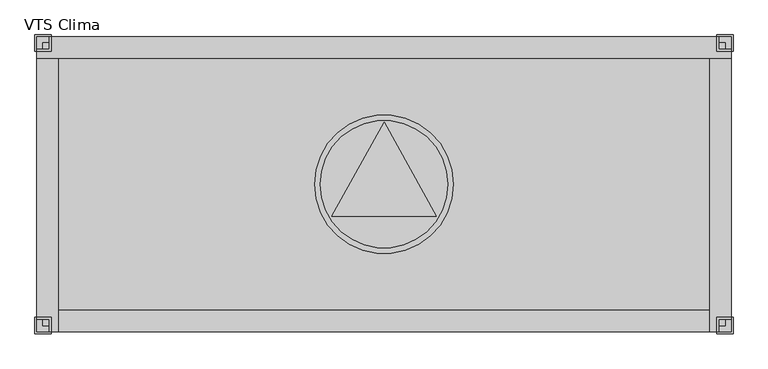
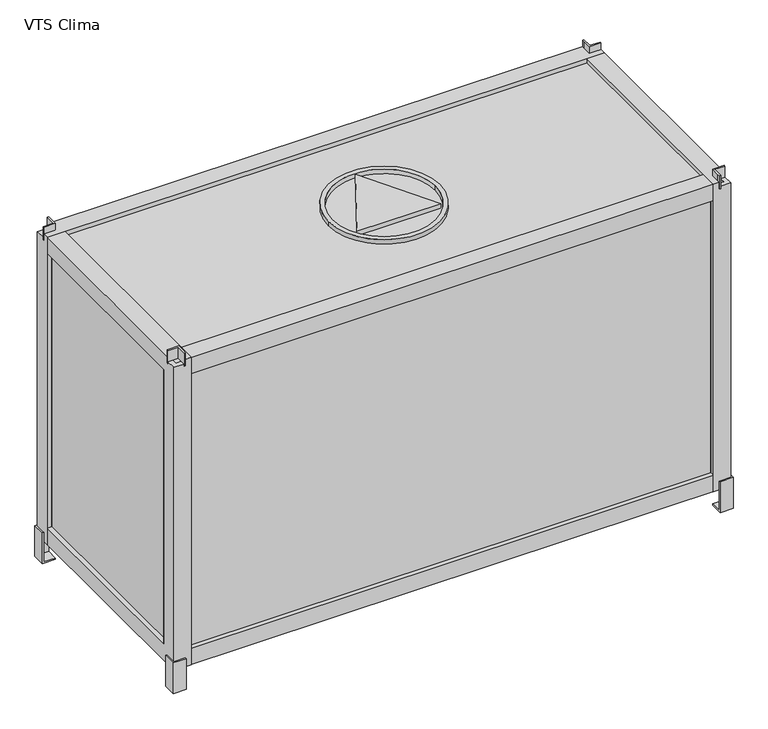
"""IFC4 building model written with IfcOpenShell, lengths in millimetres: proxy geometry, VTS Clima."""

import ifcopenshell
import ifcopenshell.guid

model = None  # the IFC model being written
_history = None  # IfcOwnerHistory: only IFC2X3 demands one
_inside = {}  # id of a spatial element -> (the spatial element, [elements in it])
_under = {}  # id of a project, library or spatial element -> (it, [spatial elements below it])
_declared = {}  # id of a project -> (the project, [libraries it declares])
_typed = {}  # id of a type object -> (the type object, [elements of that type])
_made_of = {}  # id of a material, layer set ... -> (it, [elements and type objects made of it])


def new_model(schema):
    """Start an empty IFC model of exactly this schema.

    Asked for "IFC4X3", IfcOpenShell would pick the latest addendum, in which some entities
    have other attributes; the version numbers below select the first issue.
    IFC2X3 requires an IfcOwnerHistory on every rooted entity: one is made here for all.
    """
    global model, _history
    if schema == "IFC4X3":
        model = ifcopenshell.file(schema_version=(4, 3, 0, 0))
    else:
        model = ifcopenshell.file(schema=schema)
    _inside.clear()
    _under.clear()
    _declared.clear()
    _typed.clear()
    _made_of.clear()
    _history = None
    if model.schema == "IFC2X3":
        org = make("IfcOrganization", Name="unknown")
        user = make(
            "IfcPersonAndOrganization",
            ThePerson=make("IfcPerson", FamilyName="unknown"),
            TheOrganization=org,
        )
        app = make(
            "IfcApplication",
            ApplicationDeveloper=org,
            Version="unknown",
            ApplicationFullName="unknown",
            ApplicationIdentifier="unknown",
        )
        _history = make(
            "IfcOwnerHistory",
            OwningUser=user,
            OwningApplication=app,
            ChangeAction="ADDED",
            CreationDate=0,
        )
    return model


def make(cls, **values):
    """One entity of the class cls with the attributes given. An attribute that is None is left unset."""
    return model.create_entity(
        cls, **{name: value for name, value in values.items() if value is not None}
    )


def rooted(cls, **values):
    """An entity with a GlobalId (a new one), such as an element, a storey or a relation."""
    return make(cls, GlobalId=ifcopenshell.guid.new(), OwnerHistory=_history, **values)


def si_unit(unit_type, name, prefix=None):
    """IfcSIUnit, for example si_unit("LENGTHUNIT", "METRE", prefix="MILLI")."""
    return make("IfcSIUnit", UnitType=unit_type, Prefix=prefix, Name=name)


def assignment(units):
    """IfcUnitAssignment: the units of a project."""
    return None if units is None else make("IfcUnitAssignment", Units=units)


def point(xyz):
    """IfcCartesianPoint."""
    return None if xyz is None else make("IfcCartesianPoint", Coordinates=xyz)


def direction(xyz):
    """IfcDirection."""
    return None if xyz is None else make("IfcDirection", DirectionRatios=xyz)


def frame(location, z_axis=None, x_axis=None):
    """IfcAxis2Placement3D, a coordinate frame: its origin and axes. An axis left out is left unset."""
    return make(
        "IfcAxis2Placement3D",
        Location=point(location),
        Axis=direction(z_axis),
        RefDirection=direction(x_axis),
    )


def frame_2d(location, x_axis=None):
    """IfcAxis2Placement2D, a coordinate frame in the plane: its origin and x axis."""
    return make(
        "IfcAxis2Placement2D", Location=point(location), RefDirection=direction(x_axis)
    )


def origin():
    """The frame at (0, 0, 0) with its axes left unset."""
    return frame((0.0, 0.0, 0.0))


def origin_2d():
    """The frame at (0, 0) in the plane with its x axis left unset."""
    return frame_2d((0.0, 0.0))


def place(relative_to, where):
    """IfcLocalPlacement: puts the frame where relative to a parent placement (None: the world)."""
    return make(
        "IfcLocalPlacement", PlacementRelTo=relative_to, RelativePlacement=where
    )


def context(
    kind, dimensions, precision=None, world=None, true_north=None, identifier=None
):
    """IfcGeometricRepresentationContext, for example the 3D "Model" context."""
    return make(
        "IfcGeometricRepresentationContext",
        ContextIdentifier=identifier,
        ContextType=kind,
        CoordinateSpaceDimension=dimensions,
        Precision=precision,
        WorldCoordinateSystem=world,
        TrueNorth=true_north,
    )


def project(units=None, contexts=None):
    """IfcProject with its units and contexts."""
    return rooted(
        "IfcProject",
        Name="project",
        RepresentationContexts=contexts,
        UnitsInContext=assignment(units),
    )


def spatial(cls, under=None, at=None, **own):
    """A site, building, storey or space (cls), placed at a placement, below another one or the project."""
    s = rooted(cls, ObjectPlacement=at, **own)
    if under is not None:
        _under.setdefault(under.id(), (under, []))[1].append(s)
    return s


def polyline(points):
    """IfcPolyline through the points."""
    return make("IfcPolyline", Points=[point(p) for p in points])


def circle_curve(where, radius):
    """IfcCircle in the frame where."""
    return make("IfcCircle", Position=where, Radius=radius)


def trimmed(basis, trim1, trim2, sense, master):
    """IfcTrimmedCurve: the piece of a basis curve between two trims."""
    return make(
        "IfcTrimmedCurve",
        BasisCurve=basis,
        Trim1=trim1,
        Trim2=trim2,
        SenseAgreement=sense,
        MasterRepresentation=master,
    )


def segment(curve, same_sense, transition):
    """IfcCompositeCurveSegment."""
    return make(
        "IfcCompositeCurveSegment",
        Transition=transition,
        SameSense=same_sense,
        ParentCurve=curve,
    )


def composite_curve(segments, self_intersect=None):
    """IfcCompositeCurve: segments joined end to end."""
    return make("IfcCompositeCurve", Segments=segments, SelfIntersect=self_intersect)


def outline(outer, holes=None, kind="AREA"):
    """IfcArbitraryClosedProfileDef: a profile drawn as a closed curve; with holes, ...WithVoids."""
    if holes is None:
        return make("IfcArbitraryClosedProfileDef", ProfileType=kind, OuterCurve=outer)
    return make(
        "IfcArbitraryProfileDefWithVoids",
        ProfileType=kind,
        OuterCurve=outer,
        InnerCurves=holes,
    )


def extrude(swept, where, along, depth):
    """IfcExtrudedAreaSolid: the profile swept, set in the frame where, extruded along a direction by depth."""
    return make(
        "IfcExtrudedAreaSolid",
        SweptArea=swept,
        Position=where,
        ExtrudedDirection=direction(along),
        Depth=depth,
    )


def faces_of(points, faces, orient=None, outer=None):
    """IfcFace entities. A face is a list of loops; a loop is a list of indices into points, from 0.

    orient and outer hold one flag for each loop. By default every Orientation is true, the
    first loop of a face is its IfcFaceOuterBound and the others are IfcFaceBound.
    """
    made = []
    for i, loops in enumerate(faces):
        bounds = []
        for j, loop in enumerate(loops):
            is_outer = j == 0 if outer is None else outer[i][j]
            bounds.append(
                make(
                    "IfcFaceOuterBound" if is_outer else "IfcFaceBound",
                    Bound=make("IfcPolyLoop", Polygon=[points[k] for k in loop]),
                    Orientation=True if orient is None else orient[i][j],
                )
            )
        made.append(make("IfcFace", Bounds=bounds))
    return made


def faceted_brep(points, faces, orient=None, outer=None, voids=None):
    """IfcFacetedBrep: a solid bounded by flat faces; with voids (closed shells), ...WithVoids."""
    shared = [point(p) for p in points]
    hull = make("IfcClosedShell", CfsFaces=faces_of(shared, faces, orient, outer))
    if voids is None:
        return make("IfcFacetedBrep", Outer=hull)
    return make(
        "IfcFacetedBrepWithVoids",
        Outer=hull,
        Voids=[
            make(cls, CfsFaces=faces_of(shared, fs, o, b)) for cls, fs, o, b in voids
        ],
    )


def shape(context_of_items, identifier, shape_type, items):
    """IfcShapeRepresentation: the items that make up one representation, for example the "Body"."""
    return make(
        "IfcShapeRepresentation",
        ContextOfItems=context_of_items,
        RepresentationIdentifier=identifier,
        RepresentationType=shape_type,
        Items=items,
    )


def source(mapping_origin, context_of_items, identifier, shape_type, items):
    """IfcRepresentationMap: a shape defined once, which mapped items show again and again."""
    return make(
        "IfcRepresentationMap",
        MappingOrigin=mapping_origin,
        MappedRepresentation=shape(context_of_items, identifier, shape_type, items),
    )


def transform(
    local_origin,
    x_axis=None,
    y_axis=None,
    z_axis=None,
    scale=None,
    scale2=None,
    scale3=None,
    uniform=True,
):
    """IfcCartesianTransformationOperator3D, or its non-uniform kind. x_axis, y_axis, z_axis: its Axis1, 2, 3."""
    if uniform:
        return make(
            "IfcCartesianTransformationOperator3D",
            Axis1=direction(x_axis),
            Axis2=direction(y_axis),
            LocalOrigin=point(local_origin),
            Scale=scale,
            Axis3=direction(z_axis),
        )
    return make(
        "IfcCartesianTransformationOperator3DnonUniform",
        Axis1=direction(x_axis),
        Axis2=direction(y_axis),
        LocalOrigin=point(local_origin),
        Scale=scale,
        Axis3=direction(z_axis),
        Scale2=scale2,
        Scale3=scale3,
    )


def mapped(mapping_source, mapping_target):
    """IfcMappedItem: shows the shape of a source again, moved by a transform."""
    return make(
        "IfcMappedItem", MappingSource=mapping_source, MappingTarget=mapping_target
    )


def made_of(thing, what):
    """Note that an element or type object is made of a material, layer set ...; save() writes the relation."""
    if what is not None:
        _made_of.setdefault(what.id(), (what, []))[1].append(thing)
    return thing


def element(
    cls,
    number,
    at=None,
    inside=None,
    cuts=None,
    type_object=None,
    material=None,
    context=None,
    identifier="Body",
    shape_type=None,
    held_by="IfcProductDefinitionShape",
    body=None,
    shapes=None,
    **own,
):
    """One element of the class cls, such as IfcWall. Its Tag is "e" and its number.

    at: its placement. inside: the storey or other place that contains it. cuts: it is an
    opening in that element (IfcRelVoidsElement). A single representation is given by context,
    identifier, shape_type and body (its items); several are given by shapes. held_by: the class
    of the entity that holds the representations. save() writes the other relations.
    """
    e = rooted(cls, Tag="e%d" % number, ObjectPlacement=at, **own)
    if body is not None:
        shapes = [shape(context, identifier, shape_type, body)]
    if shapes is not None:
        e.Representation = make(held_by, Representations=shapes)
    if inside is not None:
        _inside.setdefault(inside.id(), (inside, []))[1].append(e)
    if cuts is not None:
        rooted(
            "IfcRelVoidsElement", RelatingBuildingElement=cuts, RelatedOpeningElement=e
        )
    if type_object is not None:
        _typed.setdefault(type_object.id(), (type_object, []))[1].append(e)
    return made_of(e, material)


def aggregate(whole, parts):
    """IfcRelAggregates: a whole, such as a stair, and the parts it consists of."""
    return rooted("IfcRelAggregates", RelatingObject=whole, RelatedObjects=parts)


def save(model, path):
    """Write the relations noted so far, then the file.

    IfcRelAggregates (storeys below a building ...), IfcRelContainedInSpatialStructure (elements
    in a storey), IfcRelDefinesByType, IfcRelAssociatesMaterial and IfcRelDeclares: one each for
    every whole, place, type object, material and project.
    """
    for whole, parts in _under.values():
        aggregate(whole, parts)
    for where, things in _inside.values():
        rooted(
            "IfcRelContainedInSpatialStructure",
            RelatedElements=things,
            RelatingStructure=where,
        )
    for kind, things in _typed.values():
        rooted("IfcRelDefinesByType", RelatedObjects=things, RelatingType=kind)
    for what, things in _made_of.values():
        rooted("IfcRelAssociatesMaterial", RelatedObjects=things, RelatingMaterial=what)
    for by, libraries in _declared.values():
        rooted("IfcRelDeclares", RelatingContext=by, RelatedDefinitions=libraries)
    model.write(path)


def vts_clima_47fc4c83(model_context):
    return source(origin(), model_context, "Body", "SolidModel", [
        faceted_brep([(575.0, 229.9999993, 765.0), (600.0, 229.9999993, 765.0), (600.0, 232.9999993, 765.0), (578.0, 232.9999993, 765.0), (578.0, 254.9999993, 765.0), (575.0, 254.9999993, 765.0), (575.0, 248.3098058, 765.0), (575.0, 229.9999993, 735.0), (575.0, 248.3098058, 735.0), (575.0, 254.9999993, 735.0), (578.0, 254.9999993, 735.0), (578.0, 232.9999993, 735.0), (600.0, 232.9999993, 735.0), (600.0, 229.9999993, 735.0), (578.0, 254.9999993, 750.0), (578.0, 232.9999993, 750.0), (600.0, 232.9999993, 750.0)], [[[0, 1, 2, 3, 4, 5, 6]], [[7, 8, 9, 10, 11, 12, 13]], [[6, 8, 7, 0]], [[5, 9, 8, 6]], [[4, 14, 10, 9, 5]], [[3, 15, 11, 10, 14, 4]], [[2, 16, 12, 11, 15, 3]], [[1, 13, 12, 16, 2]], [[0, 7, 13, 1]]]),
        faceted_brep([(-575.0, 229.9999993, 765.0), (-575.0, 248.3098058, 765.0), (-575.0, 254.9999993, 765.0), (-578.0, 254.9999993, 765.0), (-578.0, 232.9999993, 765.0), (-600.0, 232.9999993, 765.0), (-600.0, 229.9999993, 765.0), (-575.0, 229.9999993, 735.0), (-600.0, 229.9999993, 735.0), (-600.0, 232.9999993, 735.0), (-578.0, 232.9999993, 735.0), (-578.0, 254.9999993, 735.0), (-575.0, 254.9999993, 735.0), (-575.0, 248.3098058, 735.0), (-578.0, 254.9999993, 750.0), (-578.0, 232.9999993, 750.0), (-600.0, 232.9999993, 750.0)], [[[0, 1, 2, 3, 4, 5, 6]], [[7, 8, 9, 10, 11, 12, 13]], [[1, 0, 7, 13]], [[2, 1, 13, 12]], [[3, 2, 12, 11, 14]], [[4, 3, 14, 11, 10, 15]], [[5, 4, 15, 10, 9, 16]], [[6, 5, 16, 9, 8]], [[0, 6, 8, 7]]]),
        faceted_brep([(575.0, -230.0, 765.0), (575.0, -248.3098065, 765.0), (575.0, -255.0, 765.0), (578.0, -255.0, 765.0), (578.0, -233.0, 765.0), (600.0, -233.0, 765.0), (600.0, -230.0, 765.0), (575.0, -230.0, 735.0), (600.0, -230.0, 735.0), (600.0, -233.0, 735.0), (578.0, -233.0, 735.0), (578.0, -255.0, 735.0), (575.0, -255.0, 735.0), (575.0, -248.3098065, 735.0), (578.0, -255.0, 750.0), (578.0, -233.0, 750.0), (600.0, -233.0, 750.0)], [[[0, 1, 2, 3, 4, 5, 6]], [[7, 8, 9, 10, 11, 12, 13]], [[1, 0, 7, 13]], [[2, 1, 13, 12]], [[3, 2, 12, 11, 14]], [[4, 3, 14, 11, 10, 15]], [[5, 4, 15, 10, 9, 16]], [[6, 5, 16, 9, 8]], [[0, 6, 8, 7]]]),
        faceted_brep([(-575.0, -230.0, 765.0), (-600.0, -230.0, 765.0), (-600.0, -233.0, 765.0), (-578.0, -233.0, 765.0), (-578.0, -255.0, 765.0), (-575.0, -255.0, 765.0), (-575.0, -248.3098065, 765.0), (-575.0, -230.0, 735.0), (-575.0, -248.3098065, 735.0), (-575.0, -255.0, 735.0), (-578.0, -255.0, 735.0), (-578.0, -233.0, 735.0), (-600.0, -233.0, 735.0), (-600.0, -230.0, 735.0), (-578.0, -255.0, 750.0), (-578.0, -233.0, 750.0), (-600.0, -233.0, 750.0)], [[[0, 1, 2, 3, 4, 5, 6]], [[7, 8, 9, 10, 11, 12, 13]], [[6, 8, 7, 0]], [[5, 9, 8, 6]], [[4, 14, 10, 9, 5]], [[3, 15, 11, 10, 14, 4]], [[2, 16, 12, 11, 15, 3]], [[1, 13, 12, 16, 2]], [[0, 7, 13, 1]]]),
        faceted_brep([(602.9999993, 230.0, 70.0), (602.9999993, 258.0, 70.0), (574.9999993, 258.0, 70.0), (574.9999993, 255.0, 70.0), (599.9999993, 255.0, 70.0), (599.9999993, 230.0, 70.0), (602.9999993, 230.0, 0.0), (574.978616, 229.9647196, 0.0), (574.9999993, 258.0, 0.0), (602.9999993, 258.0, 0.0), (599.9999993, 230.0, 3.0), (574.978616, 230.0, 3.0), (599.9999993, 255.0, 3.0), (574.9999993, 255.0, 3.0), (602.9999993, 258.0, 3.0)], [[[0, 1, 2, 3, 4, 5]], [[6, 7, 8, 9]], [[5, 10, 11, 7, 6, 0]], [[4, 12, 10, 5]], [[3, 13, 12, 4]], [[2, 8, 7, 11, 13, 3]], [[1, 14, 9, 8, 2]], [[6, 9, 14, 1, 0]], [[10, 12, 13, 11]]]),
        faceted_brep([(-602.9999993, 230.0, 70.0), (-599.9999993, 230.0, 70.0), (-599.9999993, 255.0, 70.0), (-574.9999993, 255.0, 70.0), (-574.9999993, 258.0, 70.0), (-602.9999993, 258.0, 70.0), (-602.9999993, 230.0, 0.0), (-602.9999993, 258.0, 0.0), (-574.9999993, 258.0, 0.0), (-574.978616, 229.9647196, 0.0), (-574.978616, 230.0, 3.0), (-599.9999993, 230.0, 3.0), (-599.9999993, 255.0, 3.0), (-574.9999993, 255.0, 3.0), (-602.9999993, 258.0, 3.0)], [[[0, 1, 2, 3, 4, 5]], [[6, 7, 8, 9]], [[1, 0, 6, 9, 10, 11]], [[2, 1, 11, 12]], [[3, 2, 12, 13]], [[4, 3, 13, 10, 9, 8]], [[5, 4, 8, 7, 14]], [[6, 0, 5, 14, 7]], [[11, 10, 13, 12]]]),
        faceted_brep([(602.9999993, -230.0, 70.0), (599.9999993, -230.0, 70.0), (599.9999993, -255.0, 70.0), (574.9999993, -255.0, 70.0), (574.9999993, -258.0, 70.0), (602.9999993, -258.0, 70.0), (602.9999993, -230.0, 0.0), (602.9999993, -258.0, 0.0), (574.9999993, -258.0, 0.0), (574.978616, -229.9647196, 0.0), (574.978616, -230.0, 3.0), (599.9999993, -230.0, 3.0), (599.9999993, -255.0, 3.0), (574.9999993, -255.0, 3.0), (602.9999993, -258.0, 3.0)], [[[0, 1, 2, 3, 4, 5]], [[6, 7, 8, 9]], [[1, 0, 6, 9, 10, 11]], [[2, 1, 11, 12]], [[3, 2, 12, 13]], [[4, 3, 13, 10, 9, 8]], [[5, 4, 8, 7, 14]], [[6, 0, 5, 14, 7]], [[11, 10, 13, 12]]]),
        faceted_brep([(-602.9999993, -230.0, 70.0), (-602.9999993, -258.0, 70.0), (-574.9999993, -258.0, 70.0), (-574.9999993, -255.0, 70.0), (-599.9999993, -255.0, 70.0), (-599.9999993, -230.0, 70.0), (-602.9999993, -230.0, 0.0), (-574.978616, -229.9647196, 0.0), (-574.9999993, -258.0, 0.0), (-602.9999993, -258.0, 0.0), (-599.9999993, -230.0, 3.0), (-574.978616, -230.0, 3.0), (-599.9999993, -255.0, 3.0), (-574.9999993, -255.0, 3.0), (-602.9999993, -258.0, 3.0)], [[[0, 1, 2, 3, 4, 5]], [[6, 7, 8, 9]], [[5, 10, 11, 7, 6, 0]], [[4, 12, 10, 5]], [[3, 13, 12, 4]], [[2, 8, 7, 11, 13, 3]], [[1, 14, 9, 8, 2]], [[6, 9, 14, 1, 0]], [[10, 12, 13, 11]]]),
        extrude(outline(composite_curve([segment(trimmed(circle_curve(origin_2d(), 120.0), [point((-120.0, 0.0))], [point((120.0, 0.0))], False, "CARTESIAN"), True, "CONTINUOUS"), segment(trimmed(circle_curve(origin_2d(), 120.0), [point((120.0, 0.0))], [point((-120.0, 0.0))], False, "CARTESIAN"), True, "CONTINUOUS")], self_intersect=False), holes=[composite_curve([segment(trimmed(circle_curve(origin_2d(), 110.0), [point((-110.0, 0.0))], [point((110.0, 0.0))], True, "CARTESIAN"), True, "CONTINUOUS"), segment(trimmed(circle_curve(origin_2d(), 110.0), [point((110.0, 0.0))], [point((-110.0, 0.0))], True, "CARTESIAN"), True, "CONTINUOUS")], self_intersect=False)]), frame((0.0, 0.0, 740.0), z_axis=(0.0, 0.0, 1.0), x_axis=(1.0, 0.0, 0.0)), (0.0, 0.0, 1.0), 10.0),
        extrude(outline(polyline([(0.0, 106.9756158), (90.2627944, -55.0), (-90.2627944, -55.0), (0.0, 106.9756158)])), frame((0.0, 0.0, 740.0), z_axis=(0.0, 0.0, 1.0), x_axis=(1.0, 0.0, 0.0)), (0.0, 0.0, 1.0), 10.0),
        faceted_brep([(-600.0, 217.4999993, 750.0), (-600.0, 232.9999993, 750.0), (-600.0, 232.9999993, 740.0), (-600.0, 254.9999993, 740.0), (-600.0, 254.9999993, 50.0), (-600.0, 217.4999993, 50.0), (-562.5, 244.9999993, 712.5), (-562.5, 244.9999993, 87.5), (-562.5, 254.9999993, 87.5), (-562.5, 254.9999993, 712.5), (-589.999999, 244.9999993, 740.0), (-589.999999, 232.9999993, 740.0), (-589.999999, 217.4999993, 739.999999), (-589.999999, 217.4999993, 60.000001), (-589.999999, 244.9999993, 60.000001), (600.0, 254.9999993, 50.0), (600.0, 217.4999993, 50.0), (562.5, 244.9999993, 87.5), (562.5, 254.9999993, 87.5), (589.999999, 217.4999993, 60.000001), (589.999999, 244.9999993, 60.000001), (600.0, 254.9999993, 740.0), (600.0, 232.9999993, 740.0), (600.0, 232.9999993, 750.0), (600.0, 217.4999993, 750.0), (562.5, 244.9999993, 712.5), (562.5, 254.9999993, 712.5), (589.999999, 217.4999993, 739.999999), (589.999999, 232.9999993, 739.999999), (589.999999, 244.9999993, 740.0), (578.0, 232.9999993, 750.0), (578.0, 254.9999993, 750.0), (-578.0, 254.9999993, 750.0), (-578.0, 232.9999993, 750.0), (-578.0, 254.9999993, 740.0), (578.0, 254.9999993, 740.0), (578.0, 244.9999993, 740.0), (-578.0, 244.9999993, 739.999999), (-578.0, 232.9999993, 739.999999), (578.0, 232.9999993, 739.999999)], [[[0, 1, 2, 3, 4, 5]], [[6, 7, 8, 9]], [[10, 11, 12, 13, 14]], [[4, 15, 16, 5]], [[7, 17, 18, 8]], [[13, 19, 20, 14]], [[15, 21, 22, 23, 24, 16]], [[17, 25, 26, 18]], [[19, 27, 28, 29, 20]], [[24, 23, 30, 31, 32, 33, 1, 0]], [[4, 3, 34, 32, 31, 35, 21, 15], [8, 18, 26, 9]], [[9, 26, 25, 6]], [[14, 20, 29, 36, 37, 10], [6, 25, 17, 7]], [[12, 11, 38, 37, 36, 39, 28, 27]], [[5, 16, 24, 0], [12, 27, 19, 13]], [[35, 31, 30, 39, 36]], [[30, 23, 22, 28, 39]], [[36, 29, 28, 22, 21, 35]], [[33, 32, 34, 37, 38]], [[38, 11, 2, 1, 33]], [[34, 3, 2, 11, 10, 37]]]),
        faceted_brep([(562.4999993, 255.0, 750.0), (578.0, 255.0, 750.0), (578.0, 255.0, 740.0), (599.9999993, 255.0, 740.0), (599.9999993, 255.0, 50.0), (562.4999993, 255.0, 50.0), (589.9999993, 217.5, 712.5), (589.9999993, 217.5, 87.5), (599.9999993, 217.5, 87.5), (599.9999993, 217.5, 712.5), (589.9999993, 244.999999, 740.0), (578.0, 244.999999, 740.0), (562.4999993, 244.999999, 739.999999), (562.4999993, 244.999999, 60.000001), (589.9999993, 244.999999, 60.000001), (599.9999993, -255.0, 50.0), (562.4999993, -255.0, 50.0), (589.9999993, -217.5, 87.5), (599.9999993, -217.5, 87.5), (562.4999993, -244.999999, 60.000001), (589.9999993, -244.999999, 60.000001), (599.9999993, -255.0, 740.0), (578.0, -255.0, 740.0), (578.0, -255.0, 750.0), (562.4999993, -255.0, 750.0), (589.9999993, -217.5, 712.5), (599.9999993, -217.5, 712.5), (562.4999993, -244.999999, 739.999999), (578.0, -244.999999, 739.999999), (589.9999993, -244.999999, 740.0), (578.0, -233.0000007, 750.0), (599.9999993, -233.0000007, 750.0), (599.9999993, 232.9999993, 750.0), (578.0, 232.9999993, 750.0), (599.9999993, 232.9999993, 740.0), (599.9999993, -233.0000007, 740.0), (589.9999993, -233.0000007, 740.0), (589.9999993, 232.9999993, 739.999999), (578.0, 232.9999993, 739.999999), (578.0, -233.0000007, 739.999999)], [[[0, 1, 2, 3, 4, 5]], [[6, 7, 8, 9]], [[10, 11, 12, 13, 14]], [[4, 15, 16, 5]], [[7, 17, 18, 8]], [[13, 19, 20, 14]], [[15, 21, 22, 23, 24, 16]], [[17, 25, 26, 18]], [[19, 27, 28, 29, 20]], [[24, 23, 30, 31, 32, 33, 1, 0]], [[4, 3, 34, 32, 31, 35, 21, 15], [8, 18, 26, 9]], [[9, 26, 25, 6]], [[14, 20, 29, 36, 37, 10], [6, 25, 17, 7]], [[12, 11, 38, 37, 36, 39, 28, 27]], [[5, 16, 24, 0], [12, 27, 19, 13]], [[30, 23, 22, 28, 39]], [[39, 36, 35, 31, 30]], [[22, 21, 35, 36, 29, 28]], [[2, 1, 33, 38, 11]], [[33, 32, 34, 37, 38]], [[11, 10, 37, 34, 3, 2]]]),
        faceted_brep([(-562.4999993, -255.0, 750.0), (-578.0, -255.0, 750.0), (-578.0, -255.0, 740.0), (-599.9999993, -255.0, 740.0), (-599.9999993, -255.0, 50.0), (-562.4999993, -255.0, 50.0), (-589.9999993, -217.5, 712.5), (-589.9999993, -217.5, 87.5), (-599.9999993, -217.5, 87.5), (-599.9999993, -217.5, 712.5), (-589.9999993, -244.999999, 740.0), (-578.0, -244.999999, 740.0), (-562.4999993, -244.999999, 739.999999), (-562.4999993, -244.999999, 60.000001), (-589.9999993, -244.999999, 60.000001), (-599.9999993, 255.0, 50.0), (-562.4999993, 255.0, 50.0), (-589.9999993, 217.5, 87.5), (-599.9999993, 217.5, 87.5), (-562.4999993, 244.999999, 60.000001), (-589.9999993, 244.999999, 60.000001), (-599.9999993, 255.0, 740.0), (-578.0, 255.0, 740.0), (-578.0, 255.0, 750.0), (-562.4999993, 255.0, 750.0), (-589.9999993, 217.5, 712.5), (-599.9999993, 217.5, 712.5), (-562.4999993, 244.999999, 739.999999), (-578.0, 244.999999, 739.999999), (-589.9999993, 244.999999, 740.0), (-578.0, 232.9999993, 750.0), (-599.9999993, 232.9999993, 750.0), (-599.9999993, -233.0000007, 750.0), (-578.0, -233.0000007, 750.0), (-599.9999993, -233.0000007, 740.0), (-599.9999993, 232.9999993, 740.0), (-589.9999993, 232.9999993, 740.0), (-589.9999993, -233.0000007, 739.999999), (-578.0, -233.0000007, 739.999999), (-578.0, 232.9999993, 739.999999)], [[[0, 1, 2, 3, 4, 5]], [[6, 7, 8, 9]], [[10, 11, 12, 13, 14]], [[4, 15, 16, 5]], [[7, 17, 18, 8]], [[13, 19, 20, 14]], [[15, 21, 22, 23, 24, 16]], [[17, 25, 26, 18]], [[19, 27, 28, 29, 20]], [[24, 23, 30, 31, 32, 33, 1, 0]], [[4, 3, 34, 32, 31, 35, 21, 15], [8, 18, 26, 9]], [[9, 26, 25, 6]], [[14, 20, 29, 36, 37, 10], [6, 25, 17, 7]], [[12, 11, 38, 37, 36, 39, 28, 27]], [[5, 16, 24, 0], [12, 27, 19, 13]], [[2, 1, 33, 38, 11]], [[33, 32, 34, 37, 38]], [[11, 10, 37, 34, 3, 2]], [[30, 23, 22, 28, 39]], [[39, 36, 35, 31, 30]], [[22, 21, 35, 36, 29, 28]]]),
        faceted_brep([(600.0, -217.4999993, 750.0), (600.0, -233.0000007, 750.0), (600.0, -233.0000007, 740.0), (600.0, -254.9999993, 740.0), (600.0, -254.9999993, 50.0), (600.0, -217.4999993, 50.0), (562.5, -244.9999993, 712.5), (562.5, -244.9999993, 87.5), (562.5, -254.9999993, 87.5), (562.5, -254.9999993, 712.5), (589.999999, -244.9999993, 740.0), (589.999999, -233.0000007, 740.0), (589.999999, -217.4999993, 739.999999), (589.999999, -217.4999993, 60.000001), (589.999999, -244.9999993, 60.000001), (-600.0, -254.9999993, 50.0), (-600.0, -217.4999993, 50.0), (-562.5, -244.9999993, 87.5), (-562.5, -254.9999993, 87.5), (-589.999999, -217.4999993, 60.000001), (-589.999999, -244.9999993, 60.000001), (-600.0, -254.9999993, 740.0), (-600.0, -233.0000007, 740.0), (-600.0, -233.0000007, 750.0), (-600.0, -217.4999993, 750.0), (-562.5, -244.9999993, 712.5), (-562.5, -254.9999993, 712.5), (-589.999999, -217.4999993, 739.999999), (-589.999999, -233.0000007, 739.999999), (-589.999999, -244.9999993, 740.0), (-578.0, -233.0000007, 750.0), (-578.0, -254.9999993, 750.0), (578.0, -254.9999993, 750.0), (578.0, -233.0000007, 750.0), (578.0, -254.9999993, 740.0), (-578.0, -254.9999993, 740.0), (-578.0, -244.9999993, 740.0), (578.0, -244.9999993, 739.999999), (578.0, -233.0000007, 739.999999), (-578.0, -233.0000007, 739.999999)], [[[0, 1, 2, 3, 4, 5]], [[6, 7, 8, 9]], [[10, 11, 12, 13, 14]], [[4, 15, 16, 5]], [[7, 17, 18, 8]], [[13, 19, 20, 14]], [[15, 21, 22, 23, 24, 16]], [[17, 25, 26, 18]], [[19, 27, 28, 29, 20]], [[24, 23, 30, 31, 32, 33, 1, 0]], [[4, 3, 34, 32, 31, 35, 21, 15], [8, 18, 26, 9]], [[9, 26, 25, 6]], [[14, 20, 29, 36, 37, 10], [6, 25, 17, 7]], [[12, 11, 38, 37, 36, 39, 28, 27]], [[5, 16, 24, 0], [12, 27, 19, 13]], [[35, 31, 30, 39, 36]], [[30, 23, 22, 28, 39]], [[36, 29, 28, 22, 21, 35]], [[33, 32, 34, 37, 38]], [[38, 11, 2, 1, 33]], [[34, 3, 2, 11, 10, 37]]]),
        extrude(outline(polyline([(590.0, -245.0), (-590.0, -245.0), (-590.0, 245.0), (590.0, 245.0), (590.0, -245.0)])), frame((0.0, 0.0, 60.0), z_axis=(0.0, 0.0, 1.0), x_axis=(1.0, 0.0, 0.0)), (0.0, 0.0, 1.0), 680.0),
    ])


if __name__ == "__main__":
    model = new_model("IFC4")
    model_context = context("Model", 3, world=origin())
    ifc_project = project(units=[si_unit("LENGTHUNIT", "METRE", prefix="MILLI")], contexts=[model_context])
    site = spatial("IfcSite", under=ifc_project)
    building = spatial("IfcBuilding", under=site)
    placement = place(None, origin())
    vts_clima_shape = vts_clima_47fc4c83(model_context)
    element("IfcBuildingElementProxy", 1, Name="VTS Clima", ObjectType="VTS Clima", at=placement, inside=building, context=model_context, shape_type="MappedRepresentation", body=[
        mapped(vts_clima_shape, transform((0.0, 0.0, 0.0), x_axis=(1.0, 0.0, 0.0), y_axis=(0.0, 1.0, 0.0), z_axis=(0.0, 0.0, 1.0))),
    ])
    save(model, "model.ifc")
